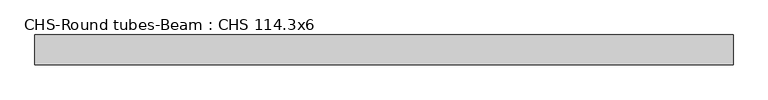
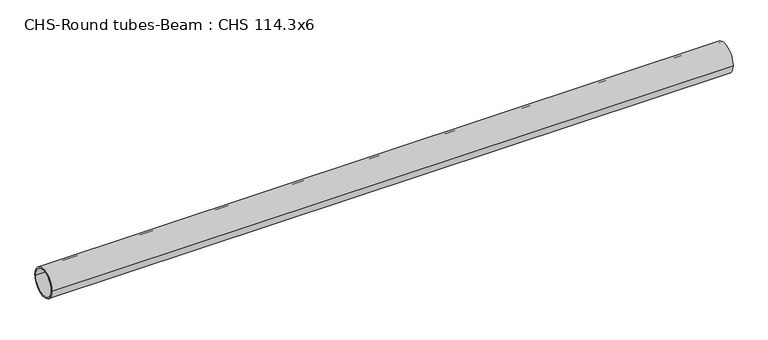
"""IFC4 building model written with IfcOpenShell, lengths in millimetres: beam geometry, CHS-Round tubes-Beam : CHS 114.3x6."""

import ifcopenshell
import ifcopenshell.guid

model = None  # the IFC model being written
_history = None  # IfcOwnerHistory: only IFC2X3 demands one
_inside = {}  # id of a spatial element -> (the spatial element, [elements in it])
_under = {}  # id of a project, library or spatial element -> (it, [spatial elements below it])
_declared = {}  # id of a project -> (the project, [libraries it declares])
_typed = {}  # id of a type object -> (the type object, [elements of that type])
_made_of = {}  # id of a material, layer set ... -> (it, [elements and type objects made of it])


def new_model(schema):
    """Start an empty IFC model of exactly this schema.

    Asked for "IFC4X3", IfcOpenShell would pick the latest addendum, in which some entities
    have other attributes; the version numbers below select the first issue.
    IFC2X3 requires an IfcOwnerHistory on every rooted entity: one is made here for all.
    """
    global model, _history
    if schema == "IFC4X3":
        model = ifcopenshell.file(schema_version=(4, 3, 0, 0))
    else:
        model = ifcopenshell.file(schema=schema)
    _inside.clear()
    _under.clear()
    _declared.clear()
    _typed.clear()
    _made_of.clear()
    _history = None
    if model.schema == "IFC2X3":
        org = make("IfcOrganization", Name="unknown")
        user = make(
            "IfcPersonAndOrganization",
            ThePerson=make("IfcPerson", FamilyName="unknown"),
            TheOrganization=org,
        )
        app = make(
            "IfcApplication",
            ApplicationDeveloper=org,
            Version="unknown",
            ApplicationFullName="unknown",
            ApplicationIdentifier="unknown",
        )
        _history = make(
            "IfcOwnerHistory",
            OwningUser=user,
            OwningApplication=app,
            ChangeAction="ADDED",
            CreationDate=0,
        )
    return model


def make(cls, **values):
    """One entity of the class cls with the attributes given. An attribute that is None is left unset."""
    return model.create_entity(
        cls, **{name: value for name, value in values.items() if value is not None}
    )


def rooted(cls, **values):
    """An entity with a GlobalId (a new one), such as an element, a storey or a relation."""
    return make(cls, GlobalId=ifcopenshell.guid.new(), OwnerHistory=_history, **values)


def si_unit(unit_type, name, prefix=None):
    """IfcSIUnit, for example si_unit("LENGTHUNIT", "METRE", prefix="MILLI")."""
    return make("IfcSIUnit", UnitType=unit_type, Prefix=prefix, Name=name)


def assignment(units):
    """IfcUnitAssignment: the units of a project."""
    return None if units is None else make("IfcUnitAssignment", Units=units)


def point(xyz):
    """IfcCartesianPoint."""
    return None if xyz is None else make("IfcCartesianPoint", Coordinates=xyz)


def direction(xyz):
    """IfcDirection."""
    return None if xyz is None else make("IfcDirection", DirectionRatios=xyz)


def frame(location, z_axis=None, x_axis=None):
    """IfcAxis2Placement3D, a coordinate frame: its origin and axes. An axis left out is left unset."""
    return make(
        "IfcAxis2Placement3D",
        Location=point(location),
        Axis=direction(z_axis),
        RefDirection=direction(x_axis),
    )


def frame_2d(location, x_axis=None):
    """IfcAxis2Placement2D, a coordinate frame in the plane: its origin and x axis."""
    return make(
        "IfcAxis2Placement2D", Location=point(location), RefDirection=direction(x_axis)
    )


def origin():
    """The frame at (0, 0, 0) with its axes left unset."""
    return frame((0.0, 0.0, 0.0))


def origin_2d():
    """The frame at (0, 0) in the plane with its x axis left unset."""
    return frame_2d((0.0, 0.0))


def place(relative_to, where):
    """IfcLocalPlacement: puts the frame where relative to a parent placement (None: the world)."""
    return make(
        "IfcLocalPlacement", PlacementRelTo=relative_to, RelativePlacement=where
    )


def context(
    kind, dimensions, precision=None, world=None, true_north=None, identifier=None
):
    """IfcGeometricRepresentationContext, for example the 3D "Model" context."""
    return make(
        "IfcGeometricRepresentationContext",
        ContextIdentifier=identifier,
        ContextType=kind,
        CoordinateSpaceDimension=dimensions,
        Precision=precision,
        WorldCoordinateSystem=world,
        TrueNorth=true_north,
    )


def project(units=None, contexts=None):
    """IfcProject with its units and contexts."""
    return rooted(
        "IfcProject",
        Name="project",
        RepresentationContexts=contexts,
        UnitsInContext=assignment(units),
    )


def spatial(cls, under=None, at=None, **own):
    """A site, building, storey or space (cls), placed at a placement, below another one or the project."""
    s = rooted(cls, ObjectPlacement=at, **own)
    if under is not None:
        _under.setdefault(under.id(), (under, []))[1].append(s)
    return s


def circle_curve(where, radius):
    """IfcCircle in the frame where."""
    return make("IfcCircle", Position=where, Radius=radius)


def trimmed(basis, trim1, trim2, sense, master):
    """IfcTrimmedCurve: the piece of a basis curve between two trims."""
    return make(
        "IfcTrimmedCurve",
        BasisCurve=basis,
        Trim1=trim1,
        Trim2=trim2,
        SenseAgreement=sense,
        MasterRepresentation=master,
    )


def segment(curve, same_sense, transition):
    """IfcCompositeCurveSegment."""
    return make(
        "IfcCompositeCurveSegment",
        Transition=transition,
        SameSense=same_sense,
        ParentCurve=curve,
    )


def composite_curve(segments, self_intersect=None):
    """IfcCompositeCurve: segments joined end to end."""
    return make("IfcCompositeCurve", Segments=segments, SelfIntersect=self_intersect)


def outline(outer, holes=None, kind="AREA"):
    """IfcArbitraryClosedProfileDef: a profile drawn as a closed curve; with holes, ...WithVoids."""
    if holes is None:
        return make("IfcArbitraryClosedProfileDef", ProfileType=kind, OuterCurve=outer)
    return make(
        "IfcArbitraryProfileDefWithVoids",
        ProfileType=kind,
        OuterCurve=outer,
        InnerCurves=holes,
    )


def extrude(swept, where, along, depth):
    """IfcExtrudedAreaSolid: the profile swept, set in the frame where, extruded along a direction by depth."""
    return make(
        "IfcExtrudedAreaSolid",
        SweptArea=swept,
        Position=where,
        ExtrudedDirection=direction(along),
        Depth=depth,
    )


def shape(context_of_items, identifier, shape_type, items):
    """IfcShapeRepresentation: the items that make up one representation, for example the "Body"."""
    return make(
        "IfcShapeRepresentation",
        ContextOfItems=context_of_items,
        RepresentationIdentifier=identifier,
        RepresentationType=shape_type,
        Items=items,
    )


def source(mapping_origin, context_of_items, identifier, shape_type, items):
    """IfcRepresentationMap: a shape defined once, which mapped items show again and again."""
    return make(
        "IfcRepresentationMap",
        MappingOrigin=mapping_origin,
        MappedRepresentation=shape(context_of_items, identifier, shape_type, items),
    )


def transform(
    local_origin,
    x_axis=None,
    y_axis=None,
    z_axis=None,
    scale=None,
    scale2=None,
    scale3=None,
    uniform=True,
):
    """IfcCartesianTransformationOperator3D, or its non-uniform kind. x_axis, y_axis, z_axis: its Axis1, 2, 3."""
    if uniform:
        return make(
            "IfcCartesianTransformationOperator3D",
            Axis1=direction(x_axis),
            Axis2=direction(y_axis),
            LocalOrigin=point(local_origin),
            Scale=scale,
            Axis3=direction(z_axis),
        )
    return make(
        "IfcCartesianTransformationOperator3DnonUniform",
        Axis1=direction(x_axis),
        Axis2=direction(y_axis),
        LocalOrigin=point(local_origin),
        Scale=scale,
        Axis3=direction(z_axis),
        Scale2=scale2,
        Scale3=scale3,
    )


def mapped(mapping_source, mapping_target):
    """IfcMappedItem: shows the shape of a source again, moved by a transform."""
    return make(
        "IfcMappedItem", MappingSource=mapping_source, MappingTarget=mapping_target
    )


def made_of(thing, what):
    """Note that an element or type object is made of a material, layer set ...; save() writes the relation."""
    if what is not None:
        _made_of.setdefault(what.id(), (what, []))[1].append(thing)
    return thing


def element(
    cls,
    number,
    at=None,
    inside=None,
    cuts=None,
    type_object=None,
    material=None,
    context=None,
    identifier="Body",
    shape_type=None,
    held_by="IfcProductDefinitionShape",
    body=None,
    shapes=None,
    **own,
):
    """One element of the class cls, such as IfcWall. Its Tag is "e" and its number.

    at: its placement. inside: the storey or other place that contains it. cuts: it is an
    opening in that element (IfcRelVoidsElement). A single representation is given by context,
    identifier, shape_type and body (its items); several are given by shapes. held_by: the class
    of the entity that holds the representations. save() writes the other relations.
    """
    e = rooted(cls, Tag="e%d" % number, ObjectPlacement=at, **own)
    if body is not None:
        shapes = [shape(context, identifier, shape_type, body)]
    if shapes is not None:
        e.Representation = make(held_by, Representations=shapes)
    if inside is not None:
        _inside.setdefault(inside.id(), (inside, []))[1].append(e)
    if cuts is not None:
        rooted(
            "IfcRelVoidsElement", RelatingBuildingElement=cuts, RelatedOpeningElement=e
        )
    if type_object is not None:
        _typed.setdefault(type_object.id(), (type_object, []))[1].append(e)
    return made_of(e, material)


def aggregate(whole, parts):
    """IfcRelAggregates: a whole, such as a stair, and the parts it consists of."""
    return rooted("IfcRelAggregates", RelatingObject=whole, RelatedObjects=parts)


def save(model, path):
    """Write the relations noted so far, then the file.

    IfcRelAggregates (storeys below a building ...), IfcRelContainedInSpatialStructure (elements
    in a storey), IfcRelDefinesByType, IfcRelAssociatesMaterial and IfcRelDeclares: one each for
    every whole, place, type object, material and project.
    """
    for whole, parts in _under.values():
        aggregate(whole, parts)
    for where, things in _inside.values():
        rooted(
            "IfcRelContainedInSpatialStructure",
            RelatedElements=things,
            RelatingStructure=where,
        )
    for kind, things in _typed.values():
        rooted("IfcRelDefinesByType", RelatedObjects=things, RelatingType=kind)
    for what, things in _made_of.values():
        rooted("IfcRelAssociatesMaterial", RelatedObjects=things, RelatingMaterial=what)
    for by, libraries in _declared.values():
        rooted("IfcRelDeclares", RelatingContext=by, RelatedDefinitions=libraries)
    model.write(path)


def chs_round_tubes_beam_chs_114_3x6_e3671250(model_context):
    return source(origin(), model_context, "Body", "SweptSolid", [
        extrude(outline(composite_curve([segment(trimmed(circle_curve(origin_2d(), 57.15), [point((57.15, 0.0))], [point((-57.15, 0.0))], False, "CARTESIAN"), True, "CONTINUOUS"), segment(trimmed(circle_curve(origin_2d(), 57.15), [point((-57.15, 0.0))], [point((57.15, 0.0))], False, "CARTESIAN"), True, "CONTINUOUS")], self_intersect=False), holes=[composite_curve([segment(trimmed(circle_curve(origin_2d(), 51.15), [point((51.15, 0.0))], [point((-51.15, 0.0))], True, "CARTESIAN"), True, "CONTINUOUS"), segment(trimmed(circle_curve(origin_2d(), 51.15), [point((-51.15, 0.0))], [point((51.15, 0.0))], True, "CARTESIAN"), True, "CONTINUOUS")], self_intersect=False)]), frame((-1293.6111159, 0.0, 0.0), z_axis=(1.0, 0.0, 0.0), x_axis=(0.0, 1.0, 0.0)), (0.0, 0.0, 1.0), 2662.447581),
    ])


if __name__ == "__main__":
    model = new_model("IFC4")
    model_context = context("Model", 3, world=origin())
    ifc_project = project(units=[si_unit("LENGTHUNIT", "METRE", prefix="MILLI")], contexts=[model_context])
    site = spatial("IfcSite", under=ifc_project)
    building = spatial("IfcBuilding", under=site)
    placement = place(None, origin())
    chs_round_tubes_beam_chs_114_3x6_shape = chs_round_tubes_beam_chs_114_3x6_e3671250(model_context)
    element("IfcBeam", 1, ObjectType="CHS-Round tubes-Beam : CHS 114.3x6", at=placement, inside=building, context=model_context, shape_type="MappedRepresentation", body=[
        mapped(chs_round_tubes_beam_chs_114_3x6_shape, transform((0.0, 0.0, 0.0), x_axis=(1.0, 0.0, 0.0), y_axis=(0.0, 1.0, 0.0), z_axis=(0.0, 0.0, 1.0))),
    ])
    save(model, "model.ifc")
